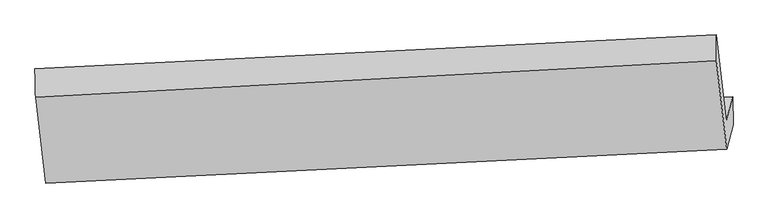
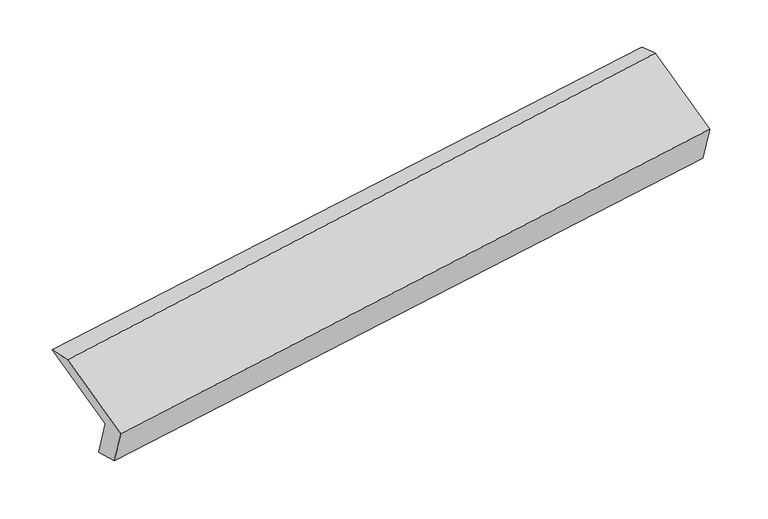
"""IFC4 building model written with IfcOpenShell, lengths in millimetres: proxy geometry."""

from ifc_helpers import new_model, si_unit, frame, origin, place, context, project, spatial, source, transform, mapped, element, save
from ifc_brep_helpers import plane_surface, spline_surface, advanced_brep


def generic_models_47834eba(model_context):
    return source(origin(), model_context, "Body", "AdvancedBrep", [
        advanced_brep(
        [(-5173.7360119, -1613.2110183, 1232.3124514), (-5216.9408068, -1779.2026102, 1582.9618701), (-490.3835345, -1543.5964057, 2276.8702963), (-447.1787396, -1377.6048138, 1926.2208776), (-5171.3912083, -1819.4232521, 1286.3570944), (-443.7759345, -1570.9124146, 1968.6773684), (-5212.382372, -1976.9101361, 1619.0407184), (-488.0521211, -1741.0202633, 2328.0221856), (-5282.025121, -1382.8129222, 1891.6955025), (-559.7554733, -1129.3447859, 2608.7443324), (-5286.5835558, -1185.1053963, 1855.6166542), (-560.0262835, -949.4991918, 2549.5250804)],
        [
            (0, 1),
            (1, 2),
            (2, 3),
            (3, 0),
            (4, 0),
            (3, 5),
            (5, 4),
            (6, 4),
            (5, 7),
            (7, 6),
            (8, 6),
            (7, 9),
            (9, 8),
            (10, 8),
            (9, 11),
            (11, 10),
            (1, 10),
            (11, 2),
        ],
        [
            plane_surface(frame((-5195.3384093, -1696.2068143, 1407.6371607), z_axis=(-0.1059406284095983, 0.9037413522319105, 0.41476276534691214), x_axis=(-0.1106815576341532, -0.42523539344093414, 0.8982897377599345))),
            spline_surface(1, 1, [[(-5171.3912083, -1819.4232521, 1286.3570944), (-443.7759345, -1570.9124146, 1968.6773684)], [(-5173.7360119, -1613.2110183, 1232.3124514), (-447.1787396, -1377.6048138, 1926.2208776)]], [2, 2], [2, 2], [0.0, 1.0], [0.0, 1.0]),
            plane_surface(frame((-5191.8867901, -1898.1666941, 1452.6989064), z_axis=(0.10733386625773408, -0.903670999459886, -0.41455779559590683), x_axis=(0.11068155763417503, 0.42523539344093403, -0.8982897377599317))),
            plane_surface(frame((-5247.2037465, -1679.8615292, 1755.3681104), z_axis=(-0.11350450948481192, -0.4253743968885117, 0.8978715658702795), x_axis=(0.10594062840960161, -0.903741352231913, -0.41476276534690565))),
            spline_surface(1, 1, [[(-5286.5835558, -1185.1053963, 1855.6166542), (-560.0262835, -949.4991918, 2549.5250804)], [(-5282.025121, -1382.8129222, 1891.6955025), (-559.7554733, -1129.3447859, 2608.7443324)]], [2, 2], [2, 2], [0.0, 1.0], [0.0, 1.0]),
            plane_surface(frame((-5251.7621813, -1482.1540033, 1719.2892621), z_axis=(0.11068155763417672, 0.42523539344093286, -0.8982897377599323), x_axis=(-0.10594062840960677, 0.9037413522319111, 0.41476276534690837))),
            plane_surface(frame((-498.1953477, -1385.3296458, 2276.3433568), z_axis=(0.9881933900061525, 0.04925879039493006, 0.14507720536658048), x_axis=(0.10594062840960161, -0.903741352231913, -0.41476276534690565))),
            plane_surface(frame((-5223.8431793, -1626.1108892, 1577.9973818), z_axis=(-0.9881933900061497, -0.04925879039498054, -0.14507720536658114), x_axis=(0.11068155763415456, 0.42523539344093403, -0.8982897377599343))),
        ],
        [
            (0, [[1, 2, 3, 4]]),
            (1, [[5, -4, 6, 7]]),
            (2, [[8, -7, 9, 10]]),
            (3, [[11, -10, 12, 13]]),
            (4, [[14, -13, 15, 16]]),
            (5, [[17, -16, 18, -2]]),
            (6, [[-12, -9, -6, -3, -18, -15]]),
            (7, [[-1, -5, -8, -11, -14, -17]]),
        ],
    ),
    ])


if __name__ == "__main__":
    model = new_model("IFC4")
    model_context = context("Model", 3, world=origin())
    ifc_project = project(units=[si_unit("LENGTHUNIT", "METRE", prefix="MILLI")], contexts=[model_context])
    site = spatial("IfcSite", under=ifc_project)
    building = spatial("IfcBuilding", under=site)
    placement = place(None, origin())
    generic_models_shape = generic_models_47834eba(model_context)
    element("IfcBuildingElementProxy", 1, Name="Generic Models", at=placement, inside=building, context=model_context, shape_type="MappedRepresentation", body=[
        mapped(generic_models_shape, transform((0.0, 0.0, 0.0), x_axis=(1.0, 0.0, 0.0), y_axis=(0.0, 1.0, 0.0), z_axis=(0.0, 0.0, 1.0))),
    ])
    save(model, "model.ifc")
